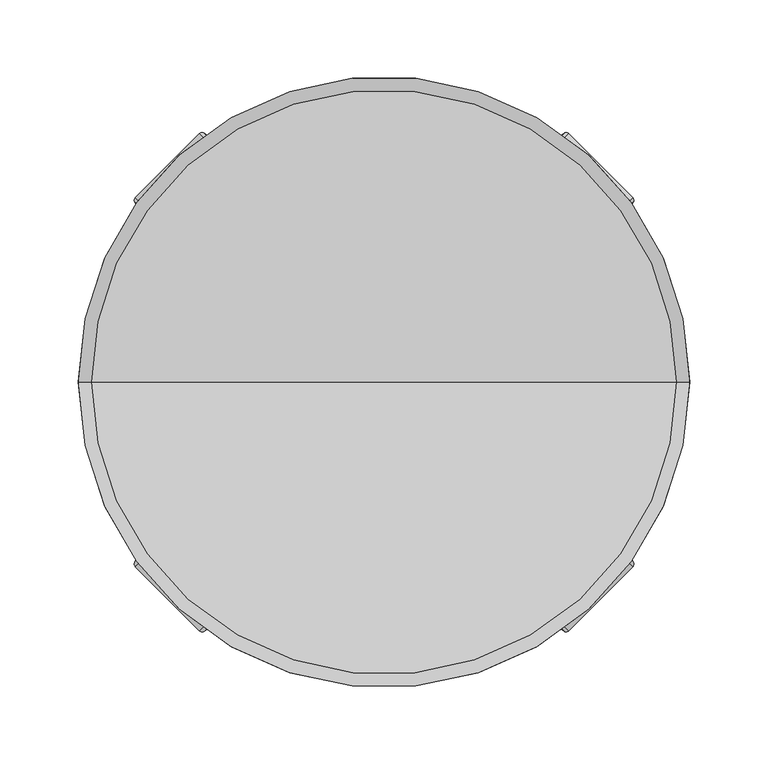
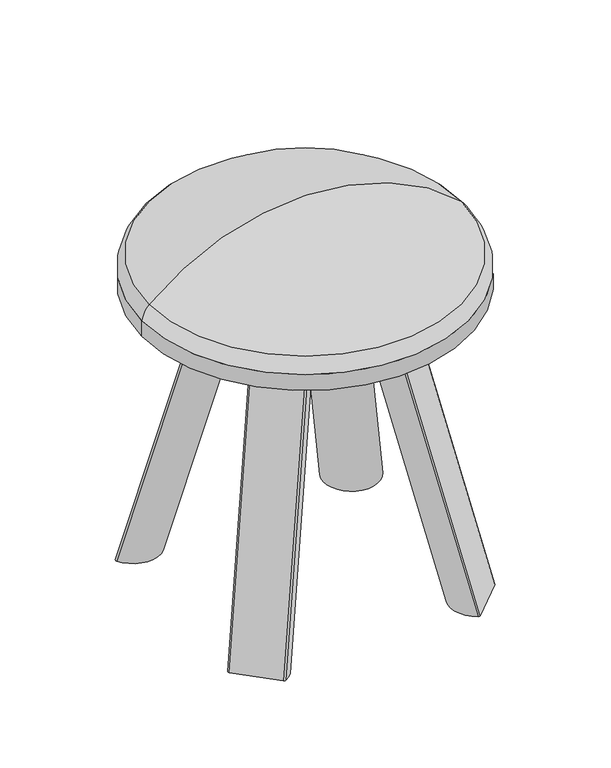
"""IFC4 building model written with IfcOpenShell, lengths in millimetres: furniture geometry."""

from ifc_helpers import new_model, si_unit, point, frame, origin, origin_2d, place, context, project, spatial, circle_curve, ellipse_curve, trimmed, segment, composite_curve, outline, extrude, source, transform, mapped, element, save
from ifc_brep_helpers import plane_surface, revolved_surface, extruded_surface, advanced_brep


def furniture_24fdec35(model_context):
    return source(origin(), model_context, "Body", "SolidModel", [
        advanced_brep(
        [(0.0, 0.0, 386.0601563), (-195.0, 0.0, 386.0601563), (195.0, 0.0, 386.0601563), (186.4951438, 0.0, 403.4976955), (-186.4951438, 0.0, 403.4976955), (0.0, 0.0, 476.0601563)],
        [
            (0, 1),
            (1, 2, circle_curve(frame((0.0, 0.0, 386.0601563), z_axis=(0.0, 0.0, -1.0), x_axis=(-1.0, 0.0, 0.0)), 195.0)),
            (2, 0),
            (2, 1, circle_curve(frame((0.0, 0.0, 386.0601563), z_axis=(0.0, 0.0, -1.0), x_axis=(-1.0, 0.0, 0.0)), 195.0)),
            (3, 4, circle_curve(frame((0.0, 0.0, 403.4976955), z_axis=(0.0, 0.0, 1.0), x_axis=(-1.0, 0.0, 0.0)), 186.4951438)),
            (4, 5, circle_curve(frame((0.0, 0.0, 200.120304), z_axis=(0.0, 1.0, 0.0), x_axis=(1.0, 0.0, 0.0)), 275.9398523)),
            (5, 3, circle_curve(frame((0.0, 0.0, 200.120304), z_axis=(0.0, 1.0, 0.0), x_axis=(-1.0, 0.0, 0.0)), 275.9398523)),
            (4, 3, circle_curve(frame((0.0, 0.0, 403.4976955), z_axis=(0.0, 0.0, 1.0), x_axis=(-1.0, 0.0, 0.0)), 186.4951438)),
            (1, 4, circle_curve(frame((-168.5904078, 0.0, 383.9721549), z_axis=(0.0, 1.0, 0.0), x_axis=(1.0, 0.0, 0.0)), 26.4920047)),
            (3, 2, circle_curve(frame((168.5904078, 0.0, 383.9721549), z_axis=(0.0, 1.0, 0.0), x_axis=(-1.0, 0.0, 0.0)), 26.4920047)),
        ],
        [
            plane_surface(frame((0.0, 0.0, 386.0601563), z_axis=(0.0, 0.0, -1.0), x_axis=(-1.0, 0.0, 0.0))),
            revolved_surface(trimmed(ellipse_curve(frame((0.0, 0.0, 200.120304), z_axis=(0.0, -1.0, 0.0), x_axis=(1.0, 0.0, 0.0)), 275.9398523, 275.9398523), [point((0.0, 0.0, 476.0601563))], [point((-186.4951438, 0.0, 403.4976955))], True, "CARTESIAN"), (0.0, 0.0, 487.0601885), (0.0, 0.0, -1.0)),
            revolved_surface(trimmed(ellipse_curve(frame((-168.5904078, 0.0, 383.9721549), z_axis=(0.0, -1.0, 0.0), x_axis=(1.0, 0.0, 0.0)), 26.4920047, 26.4920047), [point((-186.4951438, 0.0, 403.4976955))], [point((-195.0, 0.0, 386.0601563))], True, "CARTESIAN"), (0.0, 0.0, 487.0601885), (0.0, 0.0, -1.0)),
        ],
        [
            (0, [[1, 2, 3]]),
            (0, [[-3, 4, -1]]),
            (1, [[5, 6, 7]]),
            (1, [[8, -7, -6]]),
            (2, [[-2, 9, -5, 10]]),
            (2, [[-4, -10, -8, -9]]),
        ],
    ),
        advanced_brep(
        [(-48.4270749, 89.2505212, 366.0601885), (-89.2505212, 48.4270749, 366.0601885), (-89.6751235, 45.4578434, 366.0601885), (-45.4578434, 89.6751235, 366.0601885), (-117.7446577, 158.6582602, 0.0), (-114.7754262, 159.0828625, 0.0), (-158.9927062, 114.8655824, 0.0), (-158.568104, 117.8348139, 0.0)],
        [
            (0, 1),
            (1, 2, circle_curve(frame((-87.4827542, 46.6593079, 366.0601885), z_axis=(0.0, 0.0, 1.0), x_axis=(0.0, -1.0, 0.0)), 2.5)),
            (2, 3, circle_curve(frame((-61.1113779, 61.1113779, 366.0601885), z_axis=(0.0, 0.0, 1.0), x_axis=(0.0, -1.0, 0.0)), 32.5717777)),
            (3, 0, circle_curve(frame((-46.6593079, 87.4827542, 366.0601885), z_axis=(0.0, 0.0, 1.0), x_axis=(0.0, -1.0, 0.0)), 2.5)),
            (4, 5, circle_curve(frame((-115.9768907, 156.8904933, 0.0), z_axis=(0.0, 0.0, -1.0), x_axis=(0.0, -1.0, 0.0)), 2.5)),
            (5, 6, circle_curve(frame((-130.4289607, 130.519117, 0.0), z_axis=(0.0, 0.0, -1.0), x_axis=(0.0, -1.0, 0.0)), 32.5717777)),
            (6, 7, circle_curve(frame((-156.800337, 116.067047, 0.0), z_axis=(0.0, 0.0, -1.0), x_axis=(0.0, -1.0, 0.0)), 2.5)),
            (7, 4),
            (7, 1),
            (0, 4),
            (6, 2),
            (5, 3),
        ],
        [
            plane_surface(frame((-68.2026407, 68.2026407, 366.0601885), z_axis=(0.0, 0.0, 1.0), x_axis=(-0.8769476996035752, 0.4805858218466267, 0.0))),
            plane_surface(frame((-137.5202235, 137.6103798, 0.0), z_axis=(0.0, 0.0, -1.0), x_axis=(-0.8769476996035752, 0.4805858218466267, 0.0))),
            plane_surface(frame((-138.1563808, 138.2465371, 0.0), z_axis=(-0.6830089309504926, 0.6830089309504882, 0.25883894699935794), x_axis=(-0.7071067811865452, -0.7071067811865498, 0.0))),
            extruded_surface(trimmed(circle_curve(frame((-156.800337, 116.067047, 0.0), z_axis=(0.0, 0.0, 1.0), x_axis=(0.0, -1.0, 0.0)), 2.5), [point((-158.568104, 117.8348139, 0.0))], [point((-158.9927062, 114.8655824, 0.0))], True, "CARTESIAN"), (69.31758280000001, -69.4077391, 366.0601885), 378.97549147255427),
            extruded_surface(trimmed(circle_curve(frame((-130.4289607, 130.519117, 0.0), z_axis=(0.0, 0.0, 1.0), x_axis=(0.0, -1.0, 0.0)), 32.5717777), [point((-158.9927062, 114.8655824, 0.0))], [point((-114.7754262, 159.0828625, 0.0))], True, "CARTESIAN"), (69.3175828, -69.40773909999999, 366.0601885), 378.97549147255427),
            extruded_surface(trimmed(circle_curve(frame((-115.9768907, 156.8904933, 0.0), z_axis=(0.0, 0.0, 1.0), x_axis=(0.0, -1.0, 0.0)), 2.5), [point((-114.7754262, 159.0828625, 0.0))], [point((-117.7446577, 158.6582602, 0.0))], True, "CARTESIAN"), (69.3175828, -69.4077391, 366.0601885), 378.97549147255427),
        ],
        [
            (0, [[1, 2, 3, 4]]),
            (1, [[5, 6, 7, 8]]),
            (2, [[-8, 9, -1, 10]]),
            (3, [[-7, 11, -2, -9]]),
            (4, [[-6, 12, -3, -11]]),
            (5, [[-5, -10, -4, -12]]),
        ],
    ),
        advanced_brep(
        [(48.4270749, -89.2505212, 366.0601885), (89.2505212, -48.4270749, 366.0601885), (89.6751235, -45.4578434, 366.0601885), (45.4578434, -89.6751235, 366.0601885), (117.8149702, -158.6185727, 0.0), (114.8457387, -159.043175, 0.0), (159.0630187, -114.8258949, 0.0), (158.6384165, -117.7951264, 0.0)],
        [
            (0, 1),
            (1, 2, circle_curve(frame((87.4827542, -46.6593079, 366.0601885), z_axis=(0.0, 0.0, 1.0), x_axis=(0.0, 1.0, 0.0)), 2.5)),
            (2, 3, circle_curve(frame((61.1113779, -61.1113779, 366.0601885), z_axis=(0.0, 0.0, 1.0), x_axis=(0.0, 1.0, 0.0)), 32.5717777)),
            (3, 0, circle_curve(frame((46.6593079, -87.4827542, 366.0601885), z_axis=(0.0, 0.0, 1.0), x_axis=(0.0, 1.0, 0.0)), 2.5)),
            (4, 5, circle_curve(frame((116.0472032, -156.8508058, 0.0), z_axis=(0.0, 0.0, -1.0), x_axis=(0.0, 1.0, 0.0)), 2.5)),
            (5, 6, circle_curve(frame((130.4992732, -130.4794295, 0.0), z_axis=(0.0, 0.0, -1.0), x_axis=(0.0, 1.0, 0.0)), 32.5717777)),
            (6, 7, circle_curve(frame((156.8706495, -116.0273595, 0.0), z_axis=(0.0, 0.0, -1.0), x_axis=(0.0, 1.0, 0.0)), 2.5)),
            (7, 4),
            (7, 1),
            (0, 4),
            (6, 2),
            (5, 3),
        ],
        [
            plane_surface(frame((68.2026407, -68.2026407, 366.0601885), z_axis=(0.0, 0.0, 1.0000000000000002), x_axis=(0.8769476996035694, -0.4805858218466374, 0.0))),
            plane_surface(frame((137.590536, -137.5706923, 0.0), z_axis=(0.0, 0.0, -1.0000000000000002), x_axis=(0.8769476996035694, -0.4805858218466374, 0.0))),
            plane_surface(frame((138.2266933, -138.2068496, 0.0), z_axis=(0.6829988280916198, -0.682998828091624, 0.25889225876982536), x_axis=(0.7071067811865497, 0.7071067811865454, 0.0))),
            extruded_surface(trimmed(circle_curve(frame((156.8706495, -116.0273595, 0.0), z_axis=(0.0, 0.0, 1.0), x_axis=(0.0, 1.0, 0.0)), 2.5), [point((158.6384165, -117.7951264, 0.0))], [point((159.0630187, -114.8258949, 0.0))], True, "CARTESIAN"), (-69.38789530000001, 69.3680516, 366.0601885), 378.9810921426022),
            extruded_surface(trimmed(circle_curve(frame((130.4992732, -130.4794295, 0.0), z_axis=(0.0, 0.0, 1.0), x_axis=(0.0, 1.0, 0.0)), 32.5717777), [point((159.0630187, -114.8258949, 0.0))], [point((114.8457387, -159.043175, 0.0))], True, "CARTESIAN"), (-69.3878953, 69.3680516, 366.0601885), 378.9810921426022),
            extruded_surface(trimmed(circle_curve(frame((116.0472032, -156.8508058, 0.0), z_axis=(0.0, 0.0, 1.0), x_axis=(0.0, 1.0, 0.0)), 2.5), [point((114.8457387, -159.043175, 0.0))], [point((117.8149702, -158.6185727, 0.0))], True, "CARTESIAN"), (-69.3878953, 69.36805159999999, 366.0601885), 378.98109214260217),
        ],
        [
            (0, [[1, 2, 3, 4]]),
            (1, [[5, 6, 7, 8]]),
            (2, [[-8, 9, -1, 10]]),
            (3, [[-7, 11, -2, -9]]),
            (4, [[-6, 12, -3, -11]]),
            (5, [[-5, -10, -4, -12]]),
        ],
    ),
        advanced_brep(
        [(89.2505212, 48.4270749, 366.0601885), (48.4270749, 89.2505212, 366.0601885), (45.4578434, 89.6751235, 366.0601885), (89.6751235, 45.4578434, 366.0601885), (158.6384165, 117.8348139, 0.0), (159.0630187, 114.8655824, 0.0), (114.8457387, 159.0828625, 0.0), (117.8149702, 158.6582602, 0.0)],
        [
            (0, 1),
            (1, 2, circle_curve(frame((46.6593079, 87.4827542, 366.0601885), z_axis=(0.0, 0.0, 1.0), x_axis=(-1.0, 0.0, 0.0)), 2.5)),
            (2, 3, circle_curve(frame((61.1113779, 61.1113779, 366.0601885), z_axis=(0.0, 0.0, 1.0), x_axis=(-1.0, 0.0, 0.0)), 32.5717777)),
            (3, 0, circle_curve(frame((87.4827542, 46.6593079, 366.0601885), z_axis=(0.0, 0.0, 1.0), x_axis=(-1.0, 0.0, 0.0)), 2.5)),
            (4, 5, circle_curve(frame((156.8706495, 116.067047, 0.0), z_axis=(0.0, 0.0, -1.0), x_axis=(-1.0, 0.0, 0.0)), 2.5)),
            (5, 6, circle_curve(frame((130.4992732, 130.519117, 0.0), z_axis=(0.0, 0.0, -1.0), x_axis=(-1.0, 0.0, 0.0)), 32.5717777)),
            (6, 7, circle_curve(frame((116.0472032, 156.8904933, 0.0), z_axis=(0.0, 0.0, -1.0), x_axis=(-1.0, 0.0, 0.0)), 2.5)),
            (7, 4),
            (7, 1),
            (0, 4),
            (6, 2),
            (5, 3),
        ],
        [
            plane_surface(frame((68.2026407, 68.2026407, 366.0601885), z_axis=(0.0, 0.0, 1.0), x_axis=(0.4805858218466321, 0.8769476996035722, 0.0))),
            plane_surface(frame((137.590536, 137.6103798, 0.0), z_axis=(0.0, 0.0, -1.0), x_axis=(0.4805858218466321, 0.8769476996035722, 0.0))),
            plane_surface(frame((138.2266933, 138.2465371, 0.0), z_axis=(0.6829857329608829, 0.6829857329608893, 0.25896134295249995), x_axis=(-0.7071067811865508, 0.7071067811865442, 0.0))),
            extruded_surface(trimmed(circle_curve(frame((116.0472032, 156.8904933, 0.0), z_axis=(0.0, 0.0, 1.0), x_axis=(-1.0, 0.0, 0.0)), 2.5), [point((117.8149702, 158.6582602, 0.0))], [point((114.8457387, 159.0828625, 0.0))], True, "CARTESIAN"), (-69.3878953, -69.4077391, 366.0601885), 378.9883584832032),
            extruded_surface(trimmed(circle_curve(frame((130.4992732, 130.519117, 0.0), z_axis=(0.0, 0.0, 1.0), x_axis=(-1.0, 0.0, 0.0)), 32.5717777), [point((114.8457387, 159.0828625, 0.0))], [point((159.0630187, 114.8655824, 0.0))], True, "CARTESIAN"), (-69.3878953, -69.40773909999999, 366.0601885), 378.9883584832032),
            extruded_surface(trimmed(circle_curve(frame((156.8706495, 116.067047, 0.0), z_axis=(0.0, 0.0, 1.0), x_axis=(-1.0, 0.0, 0.0)), 2.5), [point((159.0630187, 114.8655824, 0.0))], [point((158.6384165, 117.8348139, 0.0))], True, "CARTESIAN"), (-69.38789530000001, -69.4077391, 366.0601885), 378.9883584832032),
        ],
        [
            (0, [[1, 2, 3, 4]]),
            (1, [[5, 6, 7, 8]]),
            (2, [[-8, 9, -1, 10]]),
            (3, [[-7, 11, -2, -9]]),
            (4, [[-6, 12, -3, -11]]),
            (5, [[-5, -10, -4, -12]]),
        ],
    ),
        advanced_brep(
        [(-89.2505212, -48.4270749, 366.0601885), (-48.4270749, -89.2505212, 366.0601885), (-45.4578434, -89.6751235, 366.0601885), (-89.6751235, -45.4578434, 366.0601885), (-158.568104, -117.7951264, 0.0), (-158.9927062, -114.8258949, 0.0), (-114.7754262, -159.043175, 0.0), (-117.7446577, -158.6185727, 0.0)],
        [
            (0, 1),
            (1, 2, circle_curve(frame((-46.6593079, -87.4827542, 366.0601885), z_axis=(0.0, 0.0, 1.0), x_axis=(1.0, 0.0, 0.0)), 2.5)),
            (2, 3, circle_curve(frame((-61.1113779, -61.1113779, 366.0601885), z_axis=(0.0, 0.0, 1.0), x_axis=(1.0, 0.0, 0.0)), 32.5717777)),
            (3, 0, circle_curve(frame((-87.4827542, -46.6593079, 366.0601885), z_axis=(0.0, 0.0, 1.0), x_axis=(1.0, 0.0, 0.0)), 2.5)),
            (4, 5, circle_curve(frame((-156.800337, -116.0273595, 0.0), z_axis=(0.0, 0.0, -1.0), x_axis=(1.0, 0.0, 0.0)), 2.5)),
            (5, 6, circle_curve(frame((-130.4289607, -130.4794295, 0.0), z_axis=(0.0, 0.0, -1.0), x_axis=(1.0, 0.0, 0.0)), 32.5717777)),
            (6, 7, circle_curve(frame((-115.9768907, -156.8508058, 0.0), z_axis=(0.0, 0.0, -1.0), x_axis=(1.0, 0.0, 0.0)), 2.5)),
            (7, 4),
            (7, 1),
            (0, 4),
            (6, 2),
            (5, 3),
        ],
        [
            plane_surface(frame((-68.2026407, -68.2026407, 366.0601885), z_axis=(0.0, 0.0, 1.0), x_axis=(-0.4805858218466318, -0.8769476996035724, 0.0))),
            plane_surface(frame((-137.5202235, -137.5706923, 0.0), z_axis=(0.0, 0.0, -1.0), x_axis=(-0.4805858218466318, -0.8769476996035724, 0.0))),
            plane_surface(frame((-138.1563808, -138.2068496, 0.0), z_axis=(-0.6830220207800293, -0.6830220207800269, 0.25876985577754996), x_axis=(0.7071067811865464, -0.7071067811865487, 0.0))),
            extruded_surface(trimmed(circle_curve(frame((-115.9768907, -156.8508058, 0.0), z_axis=(0.0, 0.0, 1.0), x_axis=(1.0, 0.0, 0.0)), 2.5), [point((-117.7446577, -158.6185727, 0.0))], [point((-114.7754262, -159.043175, 0.0))], True, "CARTESIAN"), (69.3175828, 69.36805159999999, 366.0601885), 378.96822488524106),
            extruded_surface(trimmed(circle_curve(frame((-130.4289607, -130.4794295, 0.0), z_axis=(0.0, 0.0, 1.0), x_axis=(1.0, 0.0, 0.0)), 32.5717777), [point((-114.7754262, -159.043175, 0.0))], [point((-158.9927062, -114.8258949, 0.0))], True, "CARTESIAN"), (69.3175828, 69.3680516, 366.0601885), 378.96822488524106),
            extruded_surface(trimmed(circle_curve(frame((-156.800337, -116.0273595, 0.0), z_axis=(0.0, 0.0, 1.0), x_axis=(1.0, 0.0, 0.0)), 2.5), [point((-158.9927062, -114.8258949, 0.0))], [point((-158.568104, -117.7951264, 0.0))], True, "CARTESIAN"), (69.31758280000001, 69.3680516, 366.0601885), 378.96822488524106),
        ],
        [
            (0, [[1, 2, 3, 4]]),
            (1, [[5, 6, 7, 8]]),
            (2, [[-8, 9, -1, 10]]),
            (3, [[-7, 11, -2, -9]]),
            (4, [[-6, 12, -3, -11]]),
            (5, [[-5, -10, -4, -12]]),
        ],
    ),
        extrude(outline(composite_curve([segment(trimmed(circle_curve(origin_2d(), 195.0), [point((-195.0, 0.0))], [point((195.0, 0.0))], False, "CARTESIAN"), True, "CONTINUOUS"), segment(trimmed(circle_curve(origin_2d(), 195.0), [point((195.0, 0.0))], [point((-195.0, 0.0))], False, "CARTESIAN"), True, "CONTINUOUS")], self_intersect=False)), frame((0.0, 0.0, 366.0601885), z_axis=(0.0, 0.0, 1.0), x_axis=(1.0, 0.0, 0.0)), (0.0, 0.0, 1.0), 19.9999677),
    ])


if __name__ == "__main__":
    model = new_model("IFC4")
    model_context = context("Model", 3, world=origin())
    ifc_project = project(units=[si_unit("LENGTHUNIT", "METRE", prefix="MILLI")], contexts=[model_context])
    site = spatial("IfcSite", under=ifc_project)
    building = spatial("IfcBuilding", under=site)
    placement = place(None, origin())
    furniture_shape = furniture_24fdec35(model_context)
    element("IfcFurniture", 1, at=placement, inside=building, context=model_context, shape_type="MappedRepresentation", body=[
        mapped(furniture_shape, transform((0.0, 0.0, 0.0), x_axis=(1.0, 0.0, 0.0), y_axis=(0.0, 1.0, 0.0), z_axis=(0.0, 0.0, 1.0))),
    ])
    save(model, "model.ifc")
